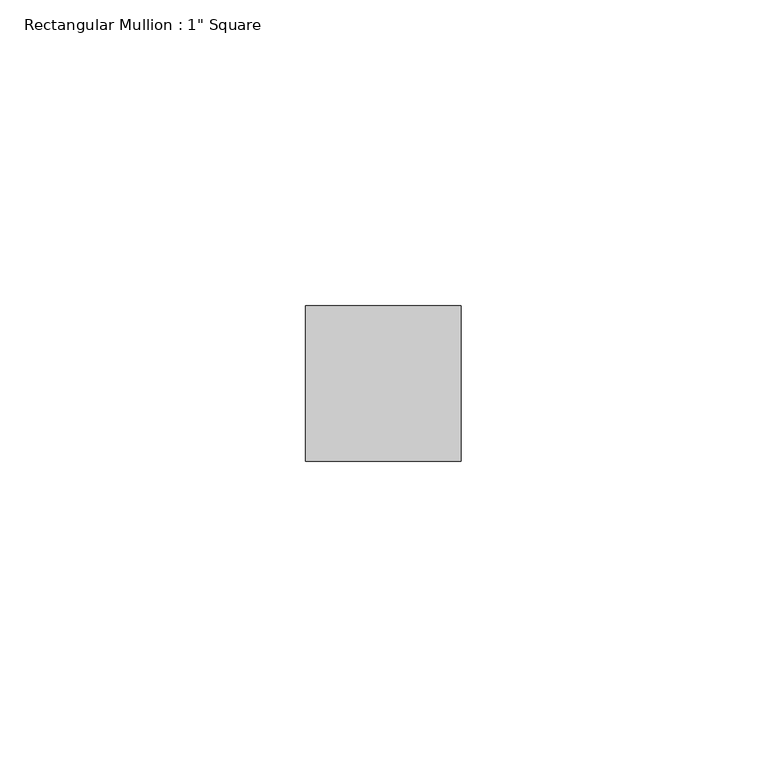
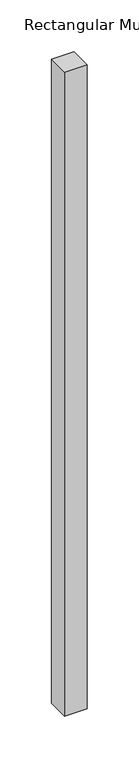
"""IFC4 building model written with IfcOpenShell, lengths in millimetres: member geometry."""

from ifc_helpers import new_model, si_unit, frame, origin, place, context, project, spatial, polyline, outline, extrude, source, transform, mapped, element, save


def member_721a11e9(model_context):
    return source(origin(), model_context, "Body", "SweptSolid", [
        extrude(outline(polyline([(12.7, 12.7), (12.7, -12.7), (-12.7, -12.7), (-12.7, 12.7), (12.7, 12.7)])), frame((0.0, 0.0, -762.0000003), z_axis=(0.0, 0.0, 1.0), x_axis=(1.0, 0.0, 0.0)), (0.0, 0.0, 1.0), 762.0000003),
    ])


if __name__ == "__main__":
    model = new_model("IFC4")
    model_context = context("Model", 3, world=origin())
    ifc_project = project(units=[si_unit("LENGTHUNIT", "METRE", prefix="MILLI")], contexts=[model_context])
    site = spatial("IfcSite", under=ifc_project)
    building = spatial("IfcBuilding", under=site)
    placement = place(None, origin())
    member_shape = member_721a11e9(model_context)
    element("IfcMember", 1, ObjectType="Rectangular Mullion : 1\" Square", at=placement, inside=building, context=model_context, shape_type="MappedRepresentation", body=[
        mapped(member_shape, transform((0.0, 0.0, 0.0), x_axis=(1.0, 0.0, 0.0), y_axis=(0.0, 1.0, 0.0), z_axis=(0.0, 0.0, 1.0))),
    ])
    save(model, "model.ifc")
